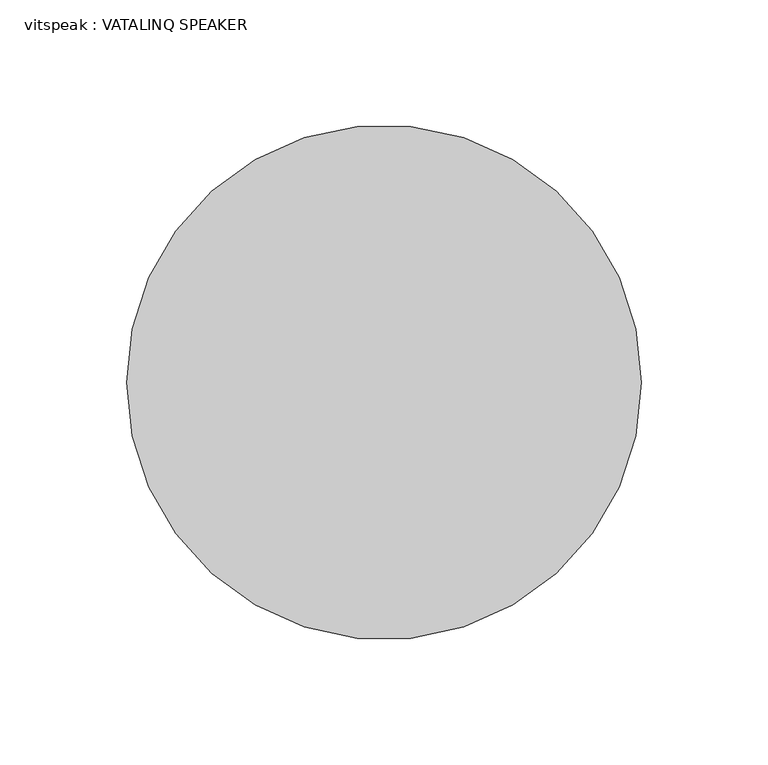
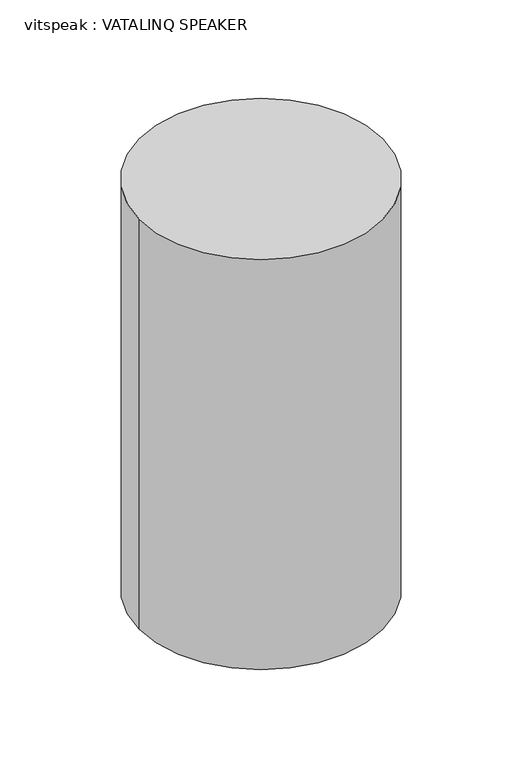
"""IFC4 building model written with IfcOpenShell, lengths in millimetres: proxy geometry, vitspeak : VATALINQ SPEAKER."""

from ifc_helpers import new_model, si_unit, point, frame, frame_2d, origin, place, context, project, spatial, circle_curve, trimmed, segment, composite_curve, outline, extrude, source, transform, mapped, element, save


def vitspeak_vatalinq_speaker_03e8ac2f(model_context):
    return source(origin(), model_context, "Body", "SweptSolid", [
        extrude(outline(composite_curve([segment(trimmed(circle_curve(frame_2d((186.6920393, -316.3087595)), 101.6), [point((85.0920393, -316.3087595))], [point((288.2920393, -316.3087595))], False, "CARTESIAN"), True, "CONTINUOUS"), segment(trimmed(circle_curve(frame_2d((186.6920393, -316.3087595)), 101.6), [point((288.2920393, -316.3087595))], [point((85.0920393, -316.3087595))], False, "CARTESIAN"), True, "CONTINUOUS")], self_intersect=False)), frame((0.0, 0.0, 2686.5573036), z_axis=(0.0, 0.0, 1.0), x_axis=(1.0, 0.0, 0.0)), (0.0, 0.0, 1.0), 361.4426964),
    ])


if __name__ == "__main__":
    model = new_model("IFC4")
    model_context = context("Model", 3, world=origin())
    ifc_project = project(units=[si_unit("LENGTHUNIT", "METRE", prefix="MILLI")], contexts=[model_context])
    site = spatial("IfcSite", under=ifc_project)
    building = spatial("IfcBuilding", under=site)
    placement = place(None, origin())
    vitspeak_vatalinq_speaker_shape = vitspeak_vatalinq_speaker_03e8ac2f(model_context)
    element("IfcBuildingElementProxy", 1, Name="vitspeak : VATALINQ SPEAKER", ObjectType="vitspeak : VATALINQ SPEAKER", at=placement, inside=building, context=model_context, shape_type="MappedRepresentation", body=[
        mapped(vitspeak_vatalinq_speaker_shape, transform((0.0, 0.0, 0.0), x_axis=(1.0, 0.0, 0.0), y_axis=(0.0, 1.0, 0.0), z_axis=(0.0, 0.0, 1.0))),
    ])
    save(model, "model.ifc")
